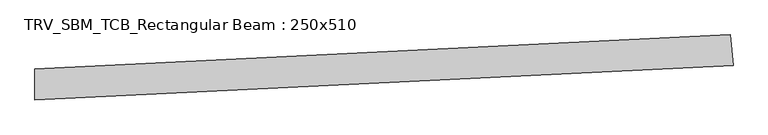
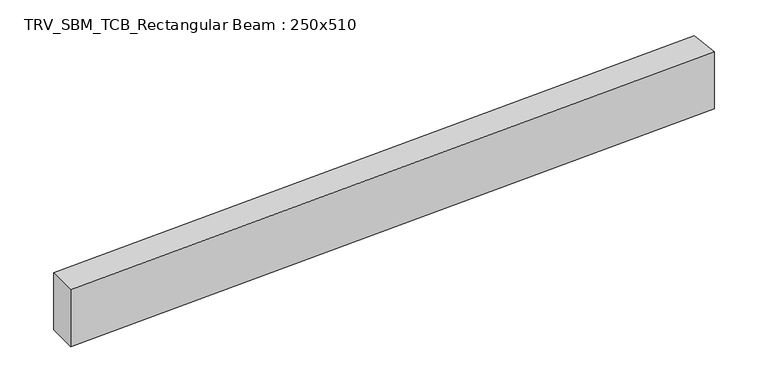
"""IFC4 building model written with IfcOpenShell, lengths in millimetres: beam geometry, TRV_SBM_TCB_Rectangular Beam : 250x510."""

from ifc_helpers import new_model, si_unit, point, frame, frame_2d, origin, place, context, project, spatial, polyline, circle_curve, trimmed, segment, composite_curve, outline, extrude, source, transform, mapped, element, save


def trv_sbm_tcb_rectangular_beam_250x510_43a1b9dc(model_context):
    return source(origin(), model_context, "Body", "SweptSolid", [
        extrude(outline(composite_curve([segment(polyline([(5587.6183795, 402.1895662), (5612.3613985, 153.4170135)]), True, "CONTINUOUS"), segment(trimmed(circle_curve(frame_2d((0.0, 56581.5139196)), 56706.5139196), [point((5612.3613985, 153.4170135))], [point((-12.7291298, -124.9985713))], False, "CARTESIAN"), True, "CONTINUOUS"), segment(polyline([(-12.7291298, -124.9985713), (-12.6730114, 125.0014224)]), True, "CONTINUOUS"), segment(trimmed(circle_curve(frame_2d((0.0, 56581.5139196)), 56456.5139196), [point((-12.6730114, 125.0014224))], [point((5587.6183795, 402.1895662))], True, "CARTESIAN"), True, "CONTINUOUS")], self_intersect=False)), frame((0.0, 0.0, -255.0), z_axis=(0.0, 0.0, 1.0), x_axis=(1.0, 0.0, 0.0)), (0.0, 0.0, 1.0), 510.0),
    ])


if __name__ == "__main__":
    model = new_model("IFC4")
    model_context = context("Model", 3, world=origin())
    ifc_project = project(units=[si_unit("LENGTHUNIT", "METRE", prefix="MILLI")], contexts=[model_context])
    site = spatial("IfcSite", under=ifc_project)
    building = spatial("IfcBuilding", under=site)
    placement = place(None, origin())
    trv_sbm_tcb_rectangular_beam_250x510_shape = trv_sbm_tcb_rectangular_beam_250x510_43a1b9dc(model_context)
    element("IfcBeam", 1, ObjectType="TRV_SBM_TCB_Rectangular Beam : 250x510", at=placement, inside=building, context=model_context, shape_type="MappedRepresentation", body=[
        mapped(trv_sbm_tcb_rectangular_beam_250x510_shape, transform((0.0, 0.0, 0.0), x_axis=(1.0, 0.0, 0.0), y_axis=(0.0, 1.0, 0.0), z_axis=(0.0, 0.0, 1.0))),
    ])
    save(model, "model.ifc")
